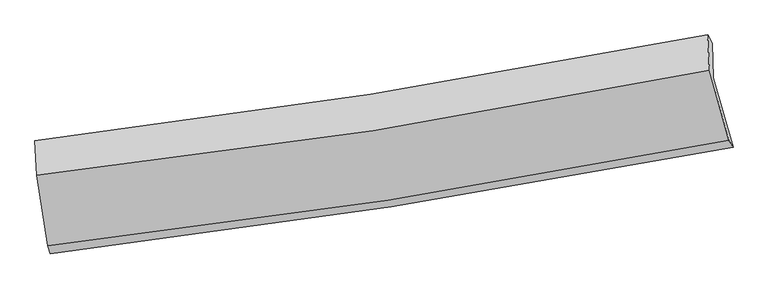
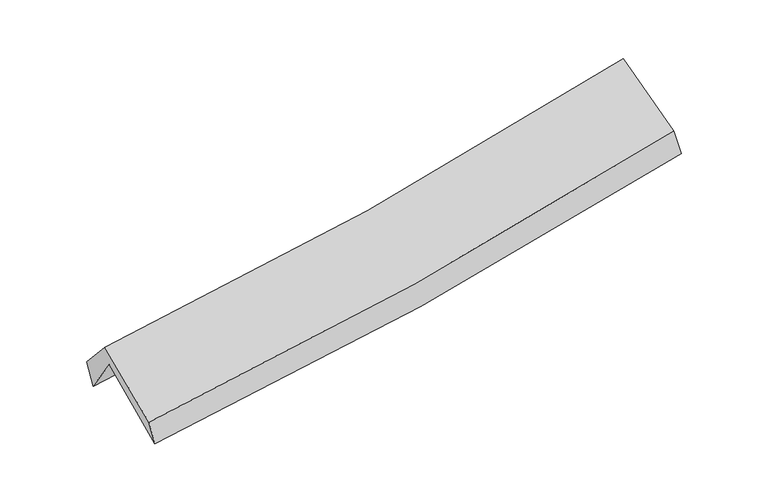
"""IFC4 building model written with IfcOpenShell, lengths in millimetres: proxy geometry."""

from ifc_helpers import new_model, si_unit, frame, origin, place, context, project, spatial, source, transform, mapped, element, save
from ifc_brep_helpers import plane_surface, spline_curve, spline_surface, advanced_brep


def generic_models_77a905bd(model_context):
    return source(origin(), model_context, "Body", "AdvancedBrep", [
        advanced_brep(
        [(-2376.424114, -2466.3846665, 1505.6662256), (-2462.3787348, -1944.6726833, 1932.2507994), (2402.4427932, -1199.9376796, 2357.1897326), (2544.5021605, -1701.1781581, 1930.3491881), (-2468.6641473, -1715.1347239, 1601.3457415), (2394.8827292, -949.8257892, 2023.4346669), (-2487.1952034, -1652.6064827, 1787.8138821), (2360.2923896, -890.1719139, 2226.9104895), (-2475.3811009, -1902.6141474, 2066.5197902), (2374.3257143, -1143.3628883, 2509.6888332), (-2393.1084456, -2407.7379486, 1669.1060832), (2513.7332025, -1647.932642, 2111.0556929)],
        [
            (0, 1),
            (1, 2, spline_curve(3, [(-2462.3787348, -1944.6726833, 1932.2507994), (-1650.720964979, -1847.30721734, 1982.554511703), (-841.809793472, -1736.995764609, 2042.856019344), (779.861408003, -1489.05254503, 2184.26927352), (1592.557412531, -1351.118996541, 2265.614076814), (2402.4427932, -1199.9376796, 2357.1897326)], [4, 2, 4], [0.0, 8.10651251446557, 16.306965502698127])),
            (2, 3),
            (3, 0, spline_curve(3, [(2544.5021605, -1701.1781581, 1930.3491881), (1726.612761314, -1857.118106338, 1832.7577713), (905.208383997, -1999.142934275, 1748.443992822), (-735.180444953, -2253.894786483, 1607.185467288), (-1554.084825526, -2366.938794618, 1549.938258624), (-2376.424114, -2466.3846665, 1505.6662256)], [4, 2, 4], [0.0, 8.200452988232557, 16.306965502698127])),
            (1, 4),
            (4, 5, spline_curve(3, [(-2468.6641473, -1715.1347239, 1601.3457415), (-1656.155047481, -1618.991744644, 1649.568797412), (-846.920759332, -1507.600259117, 1708.589211591), (774.337871543, -1252.85273618, 1849.033824767), (1586.285875508, -1109.141243749, 1930.70971871), (2394.8827292, -949.8257892, 2023.4346669)], [4, 2, 4], [0.0, 8.0602428330213, 16.21388995414551])),
            (5, 2),
            (4, 6),
            (6, 7, spline_curve(3, [(-2487.1952034, -1652.6064827, 1787.8138821), (-1676.849788236, -1556.628818921, 1832.892665234), (-870.026473679, -1445.55724608, 1891.732910903), (745.884826817, -1191.764241165, 2037.777655655), (1554.890710298, -1048.690957975, 2125.302945701), (2360.2923896, -890.1719139, 2226.9104895)], [4, 2, 4], [0.0, 8.050132643686148, 16.193552415849])),
            (7, 5),
            (6, 8),
            (8, 9, spline_curve(3, [(-2475.3811009, -1902.6141474, 2066.5197902), (-1664.367731324, -1812.671060785, 2118.399747438), (-857.02570516, -1704.896386236, 2180.995641154), (759.628815208, -1452.228302607, 2328.468857885), (1568.855727333, -1306.919223806, 2413.595978841), (2374.3257143, -1143.3628883, 2509.6888332)], [4, 2, 4], [0.0, 8.040083564539142, 16.17333780609028])),
            (9, 7),
            (8, 10),
            (10, 11, spline_curve(3, [(-2393.1084456, -2407.7379486, 1669.1060832), (-1572.747521267, -2315.328465584, 1722.642338354), (-755.998255571, -2206.267848378, 1785.970699634), (879.699817709, -1953.387564833, 1933.058974246), (1698.564434913, -1809.179746218, 2017.047149447), (2513.7332025, -1647.932642, 2111.0556929)], [4, 2, 4], [0.0, 8.08744407841437, 16.26860766036797])),
            (11, 9),
            (10, 0),
            (3, 11),
        ],
        [
            spline_surface(3, 3, [[(-2376.424114, -2466.3846665, 1505.6662256), (-1554.084825608, -2366.938794618, 1549.938258568), (-735.18044485, -2253.8947865, 1607.185467372), (905.208383892, -1999.142934258, 1748.443992737), (1726.612761261, -1857.11810621, 1832.757771402), (2544.5021605, -1701.1781581, 1930.3491881)], [(-2405.075654263, -2292.480672098, 1647.861083548), (-1586.296872082, -2193.728268851, 1694.143676266), (-770.723561059, -2081.59511254, 1752.408984727), (863.426058597, -1829.112804551, 1893.719086343), (1681.92764497, -1688.45173633, 1977.04320653), (2497.149038045, -1534.097998603, 2072.629369587)], [(-2433.727194537, -2118.576677702, 1790.055941452), (-1618.508918568, -2020.51774309, 1838.349093919), (-806.266677267, -1909.295438522, 1897.632502018), (821.643733302, -1659.082674784, 2038.994179884), (1637.242528743, -1519.785366443, 2121.328641696), (2449.795915655, -1367.017839097, 2214.909551113)], [(-2462.3787348, -1944.6726833, 1932.2507994), (-1650.720965042, -1847.307217323, 1982.554511616), (-841.809793476, -1736.995764562, 2042.856019373), (779.861408007, -1489.052545077, 2184.26927349), (1592.557412452, -1351.118996563, 2265.614076824), (2402.4427932, -1199.9376796, 2357.1897326)]], [4, 4], [4, 2, 4], [0.0, 2.2420201973086713], [0.0, 8.10651251446557, 16.306965502698127]),
            spline_surface(3, 3, [[(-2462.3787348, -1944.6726833, 1932.2507994), (-1650.720965042, -1847.307217323, 1982.554511616), (-841.809793476, -1736.995764562, 2042.856019373), (779.861408007, -1489.052545077, 2184.26927349), (1592.557412452, -1351.118996563, 2265.614076824), (2402.4427932, -1199.9376796, 2357.1897326)], [(-2464.473872293, -1868.160030191, 1821.949113414), (-1652.532325835, -1771.202059813, 1871.559273506), (-843.513448753, -1660.530596064, 1931.433750122), (778.020229155, -1410.319275448, 2072.52412389), (1590.466900142, -1270.459745572, 2153.979290842), (2399.922771881, -1116.567049443, 2245.938044045)], [(-2466.569009807, -1791.647377009, 1711.647427486), (-1654.343686647, -1695.096902231, 1760.564035453), (-845.217103996, -1584.065427587, 1820.011480895), (776.179050336, -1331.586005839, 1960.778974314), (1588.376387788, -1189.800494652, 2042.344504825), (2397.402750519, -1033.196419357, 2134.686355455)], [(-2468.6641473, -1715.1347239, 1601.3457415), (-1656.15504744, -1618.991744721, 1649.568797342), (-846.920759272, -1507.600259089, 1708.589211644), (774.337871484, -1252.852736209, 1849.033824714), (1586.285875478, -1109.141243661, 1930.709718842), (2394.8827292, -949.8257892, 2023.4346669)]], [4, 4], [4, 2, 4], [0.0, 1.3379368392005964], [0.0, 8.0602428330213, 16.21388995414551]),
            spline_surface(3, 3, [[(-2468.6641473, -1715.1347239, 1601.3457415), (-1656.15504744, -1618.991744721, 1649.568797342), (-846.920759272, -1507.600259089, 1708.589211644), (774.337871484, -1252.852736209, 1849.033824714), (1586.285875478, -1109.141243661, 1930.709718842), (2394.8827292, -949.8257892, 2023.4346669)], [(-2474.841165985, -1694.291976813, 1663.501788364), (-1663.053294371, -1598.204102801, 1710.676753339), (-854.622664105, -1486.919254708, 1769.637111422), (764.853523312, -1232.489904571, 1911.948435021), (1575.820820364, -1088.991148488, 1995.574127807), (2383.352615986, -929.941164128, 2091.259941082)], [(-2481.018184715, -1673.449229787, 1725.657835236), (-1669.951541346, -1577.416460942, 1771.784709344), (-862.324568967, -1466.23825033, 1830.685011172), (755.369175111, -1212.127072935, 1974.8630453), (1565.355765294, -1068.841053231, 2060.438536826), (2371.822502814, -910.056538972, 2159.085215318)], [(-2487.1952034, -1652.6064827, 1787.8138821), (-1676.849788277, -1556.628819021, 1832.89266534), (-870.026473799, -1445.557245949, 1891.73291095), (745.884826939, -1191.764241297, 2037.777655607), (1554.890710181, -1048.690958058, 2125.302945791), (2360.2923896, -890.1719139, 2226.9104895)]], [4, 4], [4, 2, 4], [0.0, 0.6482712438762737], [0.0, 8.050132643686148, 16.193552415849]),
            spline_surface(3, 3, [[(-2487.1952034, -1652.6064827, 1787.8138821), (-1676.849788277, -1556.628819021, 1832.89266534), (-870.026473799, -1445.557245949, 1891.73291095), (745.884826939, -1191.764241297, 2037.777655607), (1554.890710181, -1048.690958058, 2125.302945791), (2360.2923896, -890.1719139, 2226.9104895)], [(-2483.257169245, -1735.942370946, 1880.71585148), (-1672.689102664, -1641.976232954, 1928.061692757), (-865.692884271, -1532.00362609, 1988.153820986), (750.466156379, -1278.585595029, 2134.67472307), (1559.545715961, -1134.767046652, 2221.400623479), (2364.970164519, -974.568905356, 2321.16993741)], [(-2479.319135055, -1819.278259154, 1973.61782082), (-1668.528417016, -1727.323646849, 2023.230720135), (-861.359294741, -1618.450006219, 2084.574731015), (755.047485821, -1365.40694875, 2231.571790527), (1564.200721683, -1220.843135277, 2317.498301136), (2369.647939381, -1058.965896844, 2415.42938529)], [(-2475.3811009, -1902.6141474, 2066.5197902), (-1664.367731402, -1812.671060782, 2118.399747552), (-857.025705212, -1704.89638636, 2180.99564105), (759.62881526, -1452.228302482, 2328.46885799), (1568.855727462, -1306.919223871, 2413.595978824), (2374.3257143, -1143.3628883, 2509.6888332)]], [4, 4], [4, 2, 4], [0.0, 1.2783586995463883], [0.0, 8.040083564539142, 16.17333780609028]),
            spline_surface(3, 3, [[(-2475.3811009, -1902.6141474, 2066.5197902), (-1664.367731402, -1812.671060782, 2118.399747552), (-857.025705212, -1704.89638636, 2180.99564105), (759.62881526, -1452.228302482, 2328.46885799), (1568.855727462, -1306.919223871, 2413.595978824), (2374.3257143, -1143.3628883, 2509.6888332)], [(-2447.956882469, -2070.988747787, 1934.048554552), (-1633.827661348, -1980.223529006, 1986.480611201), (-823.349888705, -1872.02020705, 2049.320660602), (799.652482765, -1619.281389884, 2196.66556337), (1612.091963276, -1474.339397975, 2281.413035712), (2420.794877017, -1311.552806188, 2376.811119784)], [(-2420.532664031, -2239.363348213, 1801.577318848), (-1603.287591287, -2147.775997268, 1854.561474796), (-789.67407217, -2039.144027785, 1917.645680176), (839.676150297, -1786.334477332, 2064.862268771), (1655.328199137, -1641.759572115, 2149.230092548), (2467.264039783, -1479.742724112, 2243.933406316)], [(-2393.1084456, -2407.7379486, 1669.1060832), (-1572.747521233, -2315.328465492, 1722.642338446), (-755.998255662, -2206.267848475, 1785.970699728), (879.699817801, -1953.387564734, 1933.058974151), (1698.56443495, -1809.179746218, 2017.047149436), (2513.7332025, -1647.932642, 2111.0556929)]], [4, 4], [4, 2, 4], [0.0, 2.1254927956415437], [0.0, 8.08744407841437, 16.26860766036797]),
            spline_surface(3, 3, [[(-2393.1084456, -2407.7379486, 1669.1060832), (-1572.747521233, -2315.328465492, 1722.642338446), (-755.998255662, -2206.267848475, 1785.970699728), (879.699817801, -1953.387564734, 1933.058974151), (1698.56443495, -1809.179746218, 2017.047149436), (2513.7332025, -1647.932642, 2111.0556929)], [(-2387.547001745, -2427.286854565, 1614.626130643), (-1566.526622703, -2332.531908533, 1665.074311796), (-749.05898538, -2222.143494483, 1726.375622258), (888.202673176, -1968.639354575, 1871.520646995), (1707.913877072, -1825.159199564, 1955.61735675), (2523.989521851, -1665.681147382, 2050.820191292)], [(-2381.985557855, -2446.835760535, 1560.146178157), (-1560.305724138, -2349.735351577, 1607.506285218), (-742.119715132, -2238.019140492, 1666.780544842), (896.705528517, -1983.891144417, 1809.982319893), (1717.263319139, -1841.138652864, 1894.187564089), (2534.245841149, -1683.429652718, 1990.584689708)], [(-2376.424114, -2466.3846665, 1505.6662256), (-1554.084825608, -2366.938794618, 1549.938258568), (-735.18044485, -2253.8947865, 1607.185467372), (905.208383892, -1999.142934258, 1748.443992737), (1726.612761261, -1857.11810621, 1832.757771402), (2544.5021605, -1701.1781581, 1930.3491881)]], [4, 4], [4, 2, 4], [0.0, 0.6202773846069501], [0.0, 8.143685535835703, 16.381742316529245]),
            plane_surface(frame((2431.6964982, -1255.4015118, 2193.1047672), z_axis=(0.9770358591456165, 0.18054067540941243, 0.11316357393746676), x_axis=(0.21187295497334474, -0.7668503759443394, -0.6058468056075632))),
            plane_surface(frame((-2443.8586243, -2014.858442, 1760.4504203), z_axis=(-0.991640580421274, -0.11407646545931037, -0.06029526755948493), x_axis=(-0.09564340783592086, 0.3361939875309258, 0.9369236581950461))),
        ],
        [
            (0, [[1, 2, 3, 4]]),
            (1, [[5, 6, 7, -2]]),
            (2, [[8, 9, 10, -6]]),
            (3, [[11, 12, 13, -9]]),
            (4, [[14, 15, 16, -12]]),
            (5, [[17, -4, 18, -15]]),
            (6, [[-16, -18, -3, -7, -10, -13]]),
            (7, [[-17, -14, -11, -8, -5, -1]]),
        ],
    ),
    ])


if __name__ == "__main__":
    model = new_model("IFC4")
    model_context = context("Model", 3, world=origin())
    ifc_project = project(units=[si_unit("LENGTHUNIT", "METRE", prefix="MILLI")], contexts=[model_context])
    site = spatial("IfcSite", under=ifc_project)
    building = spatial("IfcBuilding", under=site)
    placement = place(None, origin())
    generic_models_shape = generic_models_77a905bd(model_context)
    element("IfcBuildingElementProxy", 1, Name="Generic Models", at=placement, inside=building, context=model_context, shape_type="MappedRepresentation", body=[
        mapped(generic_models_shape, transform((0.0, 0.0, 0.0), x_axis=(1.0, 0.0, 0.0), y_axis=(0.0, 1.0, 0.0), z_axis=(0.0, 0.0, 1.0))),
    ])
    save(model, "model.ifc")
